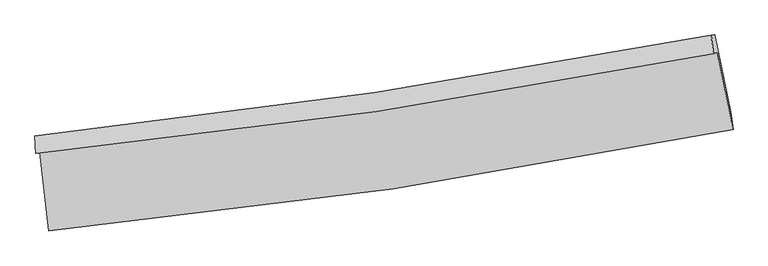
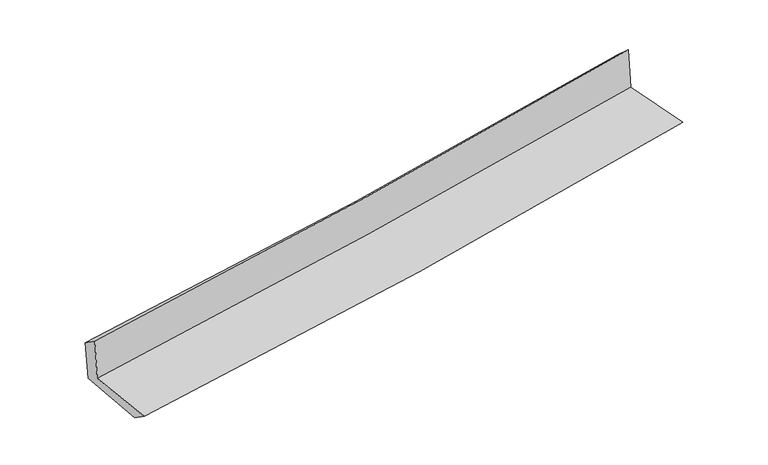
"""IFC4 building model written with IfcOpenShell, lengths in millimetres: proxy geometry."""

from ifc_helpers import new_model, si_unit, frame, origin, place, context, project, spatial, source, transform, mapped, element, save
from ifc_brep_helpers import plane_surface, spline_curve, spline_surface, advanced_brep


def generic_models_3aef504f(model_context):
    return source(origin(), model_context, "Body", "AdvancedBrep", [
        advanced_brep(
        [(-2848.5144296, -1895.8815958, 1635.6815326), (-2773.8747494, -2554.3466113, 1621.7006851), (2921.7141804, -1707.8986842, 2120.3147465), (2790.7549573, -1063.4081866, 2134.3406152), (-2879.6272009, -1910.862116, 2033.5391368), (2759.3305557, -1078.5387539, 2536.183221), (-2887.6392659, -1764.8336729, 1932.992361), (2740.3562, -923.3928544, 2393.2461043), (-2857.193142, -1761.6602504, 1559.2160605), (2770.8392082, -920.1681002, 2030.3210473), (-2781.8413729, -2408.426231, 1520.7488124), (2902.4685735, -1563.4147893, 2005.5637301)],
        [
            (0, 1),
            (1, 2, spline_curve(3, [(-2773.8747494, -2554.3466113, 1621.7006851), (-1815.938439446, -2461.980590058, 1713.441991819), (-861.492596196, -2345.089782068, 1800.930747565), (1037.012088191, -2062.765105096, 1967.105026223), (1981.09588784, -1897.506604263, 2045.820957823), (2921.7141804, -1707.8986842, 2120.3147465)], [4, 2, 4], [0.0, 9.454436888266928, 18.875010490547904])),
            (2, 3),
            (3, 0, spline_curve(3, [(2790.7549573, -1063.4081866, 2134.3406152), (1857.39461818, -1245.771988278, 2068.838587234), (921.622775696, -1406.241563759, 1994.622863814), (-958.116318524, -1683.890385344, 1828.465926886), (-1902.100938358, -1800.911946492, 1736.461956031), (-2848.5144296, -1895.8815958, 1635.6815326)], [4, 2, 4], [0.0, 9.420573602280976, 18.875010490547904])),
            (4, 0),
            (3, 5),
            (5, 4, spline_curve(3, [(2759.3305557, -1078.5387539, 2536.183221), (1826.175846305, -1260.803546951, 2468.051682636), (890.532879362, -1421.211069759, 2392.187952314), (-989.101785435, -1698.809609535, 2224.695612766), (-1933.111403937, -1815.843207312, 2133.01131489), (-2879.6272009, -1910.862116, 2033.5391368)], [4, 2, 4], [0.0, 9.373298684510294, 18.780290720124864])),
            (6, 4),
            (5, 7),
            (7, 6, spline_curve(3, [(2740.3562, -923.3928544, 2393.2461043), (1809.334727063, -1103.318852712, 2321.61919951), (875.670541272, -1263.311944569, 2247.52451488), (-1000.308914206, -1543.935776742, 2094.124373536), (-1942.643216956, -1664.422957914, 2014.801143854), (-2887.6392659, -1764.8336729, 1932.992361)], [4, 2, 4], [0.0, 9.36206657252702, 18.757786121098754])),
            (8, 6),
            (7, 9),
            (9, 8, spline_curve(3, [(2770.8392082, -920.1681002, 2030.3210473), (1840.072572421, -1100.081529884, 1953.901171582), (906.532971023, -1260.072588398, 1876.504673502), (-969.457840931, -1540.713455275, 1719.476711712), (-1911.929023089, -1661.219780192, 1639.838214321), (-2857.193142, -1761.6602504, 1559.2160605)], [4, 2, 4], [0.0, 9.351834771039984, 18.73728573879101])),
            (10, 8),
            (9, 11),
            (11, 10, spline_curve(3, [(2902.4685735, -1563.4147893, 2005.5637301), (1963.900335805, -1752.569397141, 1929.597319907), (1021.779948407, -1917.481557209, 1851.289562639), (-872.964450758, -2199.326635517, 1689.701452903), (-1825.614045357, -2316.084955632, 1606.404237352), (-2781.8413729, -2408.426231, 1520.7488124)], [4, 2, 4], [0.0, 9.399925752316332, 18.833640569655238])),
            (1, 10),
            (11, 2),
        ],
        [
            spline_surface(3, 3, [[(-2848.5144296, -1895.8815958, 1635.6815326), (-1902.100938498, -1800.911946487, 1736.461956144), (-958.116318558, -1683.89038541, 1828.46592689), (921.622775731, -1406.241563693, 1994.622863809), (1857.394618141, -1245.771988401, 2068.838587302), (2790.7549573, -1063.4081866, 2134.3406152)], [(-2823.6345362, -2115.369934284, 1631.021250098), (-1873.380105524, -2021.268161037, 1728.788634745), (-925.908411057, -1904.290184317, 1819.287533779), (960.085879868, -1625.082744186, 1985.450251277), (1898.62837475, -1463.016860337, 2061.166044128), (2834.408031695, -1278.238352484, 2129.665325639)], [(-2798.7546428, -2334.858272816, 1626.360967602), (-1844.659272551, -2241.624375634, 1721.11531335), (-893.700503602, -2124.689983154, 1810.109140677), (998.548983959, -1843.923924609, 1976.277638753), (1939.862131273, -1680.261732219, 2053.493500936), (2878.061106005, -1493.068518316, 2124.990036061)], [(-2773.8747494, -2554.3466113, 1621.7006851), (-1815.938439577, -2461.980590184, 1713.441991951), (-861.492596101, -2345.089782061, 1800.930747566), (1037.012088097, -2062.765105102, 1967.105026221), (1981.095887882, -1897.506604155, 2045.820957762), (2921.7141804, -1707.8986842, 2120.3147465)]], [4, 4], [4, 2, 4], [0.0, 2.1912901565339173], [0.0, 9.454436888266928, 18.875010490547904]),
            spline_surface(3, 3, [[(-2879.6272009, -1910.862116, 2033.5391368), (-1933.111404002, -1815.843207365, 2133.011314974), (-989.101785416, -1698.809609565, 2224.695612672), (890.532879343, -1421.211069729, 2392.187952408), (1826.175846276, -1260.803546829, 2468.051682766), (2759.3305557, -1078.5387539, 2536.183221)], [(-2869.25627713, -1905.868609291, 1900.919935408), (-1922.774582164, -1810.86612043, 2000.828195373), (-978.77329647, -1693.836534843, 2092.619050745), (900.896178132, -1416.22123438, 2259.666256209), (1836.582103536, -1255.793027362, 2334.980650928), (2769.805356205, -1073.495231476, 2402.235685717)], [(-2858.88535337, -1900.875102509, 1768.300733992), (-1912.437760336, -1805.889033422, 1868.645075746), (-968.444807504, -1688.863460133, 1960.542488817), (911.259476941, -1411.231399042, 2127.144560008), (1846.988360882, -1250.782507868, 2201.90961914), (2780.280156795, -1068.451709024, 2268.288150483)], [(-2848.5144296, -1895.8815958, 1635.6815326), (-1902.100938498, -1800.911946487, 1736.461956144), (-958.116318558, -1683.89038541, 1828.46592689), (921.622775731, -1406.241563693, 1994.622863809), (1857.394618141, -1245.771988401, 2068.838587302), (2790.7549573, -1063.4081866, 2134.3406152)]], [4, 4], [4, 2, 4], [0.0, 1.307044364364902], [0.0, 9.40699203561457, 18.780290720124864]),
            spline_surface(3, 3, [[(-2887.6392659, -1764.8336729, 1932.992361), (-1942.643216981, -1664.422957911, 2014.801143894), (-1000.308914201, -1543.935776871, 2094.124373638), (875.670541268, -1263.311944441, 2247.524514779), (1809.334727069, -1103.318852644, 2321.619199457), (2740.3562, -923.3928544, 2393.2461043)], [(-2884.968577546, -1813.509820598, 1966.507952924), (-1939.465945967, -1714.896374393, 2054.204534245), (-996.573204606, -1595.560387763, 2137.648119963), (880.62465396, -1315.944986198, 2295.745660636), (1814.948433473, -1155.813750702, 2370.430027218), (2746.680985235, -975.108154229, 2440.891809858)], [(-2882.297889254, -1862.185968302, 2000.023544876), (-1936.288675015, -1765.369790882, 2093.607924623), (-992.837495012, -1647.184998673, 2181.171866346), (885.578766651, -1368.578027972, 2343.966806551), (1820.562139873, -1208.308648772, 2419.240855005), (2753.005770465, -1026.823454071, 2488.537515442)], [(-2879.6272009, -1910.862116, 2033.5391368), (-1933.111404002, -1815.843207365, 2133.011314974), (-989.101785416, -1698.809609565, 2224.695612672), (890.532879343, -1421.211069729, 2392.187952408), (1826.175846276, -1260.803546829, 2468.051682766), (2759.3305557, -1078.5387539, 2536.183221)]], [4, 4], [4, 2, 4], [0.0, 0.6847162423436661], [0.0, 9.395719548571734, 18.757786121098754]),
            spline_surface(3, 3, [[(-2857.193142, -1761.6602504, 1559.2160605), (-1911.929023067, -1661.219780326, 1639.838214242), (-969.457841021, -1540.713455399, 1719.47671169), (906.532971113, -1260.072588274, 1876.504673525), (1840.072572423, -1100.081529808, 1953.901171663), (2770.8392082, -920.1681002, 2030.3210473)], [(-2867.341849964, -1762.718057899, 1683.808160682), (-1922.167087702, -1662.287506187, 1764.825857474), (-979.741532078, -1541.787562546, 1844.359265673), (896.2454945, -1261.152373652, 2000.177953943), (1829.826623979, -1101.160637425, 2076.473847608), (2760.678205474, -921.243018271, 2151.296066314)], [(-2877.490557936, -1763.775865401, 1808.400260818), (-1932.405152345, -1663.35523205, 1889.813500661), (-990.025223144, -1542.861669725, 1969.241819654), (885.95801788, -1262.232159063, 2123.85123436), (1819.580675513, -1102.239745028, 2199.046523512), (2750.517202726, -922.317936329, 2272.271085286)], [(-2887.6392659, -1764.8336729, 1932.992361), (-1942.643216981, -1664.422957911, 2014.801143894), (-1000.308914201, -1543.935776871, 2094.124373638), (875.670541268, -1263.311944441, 2247.524514779), (1809.334727069, -1103.318852644, 2321.619199457), (2740.3562, -923.3928544, 2393.2461043)]], [4, 4], [4, 2, 4], [0.0, 1.2274569812645124], [0.0, 9.385450967751025, 18.73728573879101]),
            spline_surface(3, 3, [[(-2781.8413729, -2408.426231, 1520.7488124), (-1825.61404521, -2316.084955719, 1606.404237355), (-872.964450712, -2199.326635416, 1689.701452853), (1021.779948361, -1917.481557308, 1851.28956269), (1963.900335948, -1752.569397087, 1929.597319799), (2902.4685735, -1563.4147893, 2005.5637301)], [(-2806.958629272, -2192.837570777, 1533.571228411), (-1854.385704501, -2097.796563898, 1617.548896295), (-905.128914161, -1979.788908749, 1699.626539152), (983.364289266, -1698.345234303, 1859.694599655), (1922.624414765, -1535.073441321, 1937.698603759), (2858.592118392, -1348.999226261, 2013.816169172)], [(-2832.075885628, -1977.248910623, 1546.393644489), (-1883.157363776, -1879.508172147, 1628.693555301), (-937.293377572, -1760.251182066, 1709.551625391), (944.948630208, -1479.20891128, 1868.09963656), (1881.348493605, -1317.577485573, 1945.799887703), (2814.715663308, -1134.583663239, 2022.068608228)], [(-2857.193142, -1761.6602504, 1559.2160605), (-1911.929023067, -1661.219780326, 1639.838214242), (-969.457841021, -1540.713455399, 1719.47671169), (906.532971113, -1260.072588274, 1876.504673525), (1840.072572423, -1100.081529808, 1953.901171663), (2770.8392082, -920.1681002, 2030.3210473)]], [4, 4], [4, 2, 4], [0.0, 2.188443593181673], [0.0, 9.433714817338906, 18.833640569655238]),
            spline_surface(3, 3, [[(-2773.8747494, -2554.3466113, 1621.7006851), (-1815.938439577, -2461.980590184, 1713.441991951), (-861.492596101, -2345.089782061, 1800.930747566), (1037.012088097, -2062.765105102, 1967.105026221), (1981.095887882, -1897.506604155, 2045.820957762), (2921.7141804, -1707.8986842, 2120.3147465)], [(-2776.530290588, -2505.706484552, 1588.050060875), (-1819.163641476, -2413.348712047, 1677.762740427), (-865.316547638, -2296.502066504, 1763.854315996), (1031.934708185, -2014.337255829, 1928.499871711), (1975.364037237, -1849.194201778, 2007.079745108), (2915.2989781, -1659.737385879, 2082.0644077)], [(-2779.185831712, -2457.066357748, 1554.399436625), (-1822.388843311, -2364.716833855, 1642.083488878), (-869.140499176, -2247.914350973, 1726.777884423), (1026.857328273, -1965.909406582, 1889.894717199), (1969.632186593, -1800.881799464, 1968.338532453), (2908.8837758, -1611.576087621, 2043.8140689)], [(-2781.8413729, -2408.426231, 1520.7488124), (-1825.61404521, -2316.084955719, 1606.404237355), (-872.964450712, -2199.326635416, 1689.701452853), (1021.779948361, -1917.481557308, 1851.28956269), (1963.900335948, -1752.569397087, 1929.597319799), (2902.4685735, -1563.4147893, 2005.5637301)]], [4, 4], [4, 2, 4], [0.0, 0.6070958981255088], [0.0, 9.491597126281043, 18.949197868457013]),
            plane_surface(frame((2814.2439459, -1209.4702281, 2203.3282441), z_axis=(0.9768808292498483, 0.19667661689021643, 0.08379829242143254), x_axis=(-0.0836945741694349, -0.008853930330253872, 0.9964521193576257))),
            plane_surface(frame((-2838.1150268, -2049.3350796, 1717.3130981), z_axis=(-0.990513806597428, -0.11054573416411746, -0.08162131828137387), x_axis=(-0.11260769049787343, 0.9934156264413434, 0.021092680789518245))),
        ],
        [
            (0, [[1, 2, 3, 4]]),
            (1, [[5, -4, 6, 7]]),
            (2, [[8, -7, 9, 10]]),
            (3, [[11, -10, 12, 13]]),
            (4, [[14, -13, 15, 16]]),
            (5, [[17, -16, 18, -2]]),
            (6, [[-12, -9, -6, -3, -18, -15]]),
            (7, [[-1, -5, -8, -11, -14, -17]]),
        ],
    ),
    ])


if __name__ == "__main__":
    model = new_model("IFC4")
    model_context = context("Model", 3, world=origin())
    ifc_project = project(units=[si_unit("LENGTHUNIT", "METRE", prefix="MILLI")], contexts=[model_context])
    site = spatial("IfcSite", under=ifc_project)
    building = spatial("IfcBuilding", under=site)
    placement = place(None, origin())
    generic_models_shape = generic_models_3aef504f(model_context)
    element("IfcBuildingElementProxy", 1, Name="Generic Models", at=placement, inside=building, context=model_context, shape_type="MappedRepresentation", body=[
        mapped(generic_models_shape, transform((0.0, 0.0, 0.0), x_axis=(1.0, 0.0, 0.0), y_axis=(0.0, 1.0, 0.0), z_axis=(0.0, 0.0, 1.0))),
    ])
    save(model, "model.ifc")
